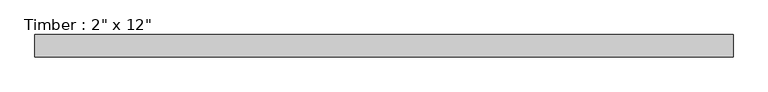
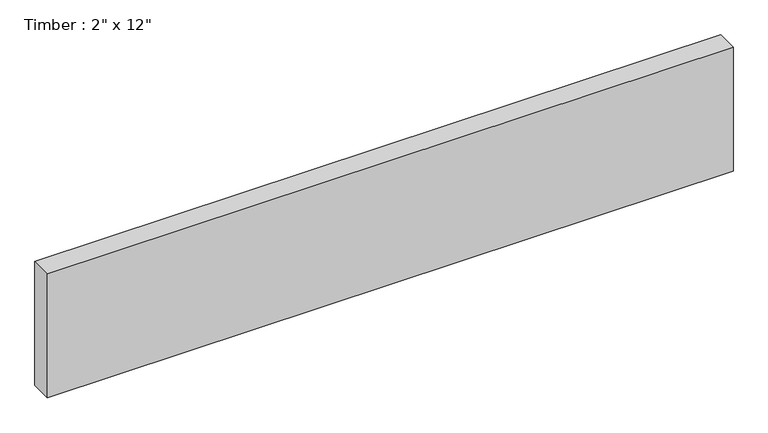
"""IFC4 building model written with IfcOpenShell, lengths in millimetres: beam geometry."""

from ifc_helpers import new_model, si_unit, frame, origin, place, context, project, spatial, polyline, outline, extrude, source, transform, mapped, element, save


def beam_1be1b870(model_context):
    return source(origin(), model_context, "Body", "SweptSolid", [
        extrude(outline(polyline([(786.5536196, 25.4), (786.5536196, -25.4), (-810.5925642, -25.4), (-810.5925642, 25.4), (786.5536196, 25.4)])), frame((0.0, 0.0, -152.4), z_axis=(0.0, 0.0, 1.0), x_axis=(1.0, 0.0, 0.0)), (0.0, 0.0, 1.0), 304.8),
    ])


if __name__ == "__main__":
    model = new_model("IFC4")
    model_context = context("Model", 3, world=origin())
    ifc_project = project(units=[si_unit("LENGTHUNIT", "METRE", prefix="MILLI")], contexts=[model_context])
    site = spatial("IfcSite", under=ifc_project)
    building = spatial("IfcBuilding", under=site)
    placement = place(None, origin())
    beam_shape = beam_1be1b870(model_context)
    element("IfcBeam", 1, ObjectType="Timber : 2\" x 12\"", at=placement, inside=building, context=model_context, shape_type="MappedRepresentation", body=[
        mapped(beam_shape, transform((0.0, 0.0, 0.0), x_axis=(1.0, 0.0, 0.0), y_axis=(0.0, 1.0, 0.0), z_axis=(0.0, 0.0, 1.0))),
    ])
    save(model, "model.ifc")
